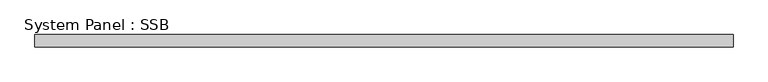
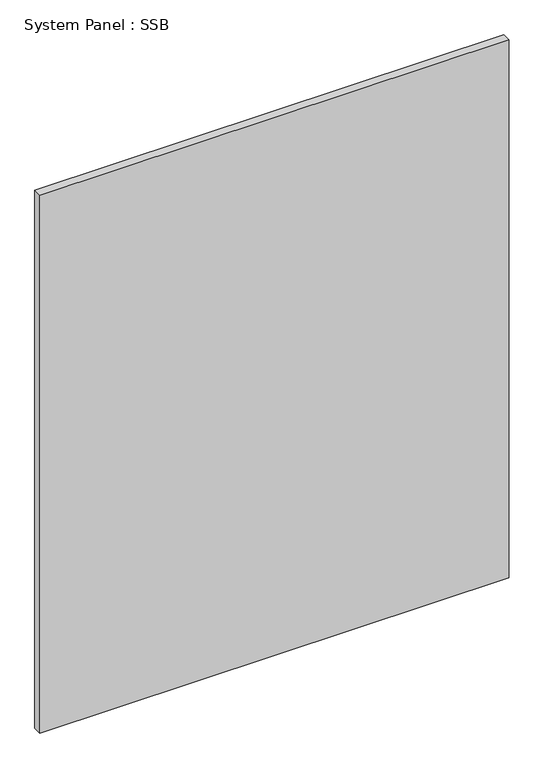
"""IFC4 building model written with IfcOpenShell, lengths in millimetres: plate geometry, System Panel : SSB."""

from ifc_helpers import new_model, si_unit, origin, origin_with_axes, place, context, project, spatial, polyline, outline, extrude, source, transform, mapped, element, save


def system_panel_ssb_356c2853(model_context):
    return source(origin(), model_context, "Body", "SweptSolid", [
        extrude(outline(polyline([(720.725, 18.25625), (-720.725, 18.25625), (-720.725, 43.65625), (720.725, 43.65625), (720.725, 18.25625)])), origin_with_axes(), (0.0, 0.0, 1.0), 1746.25),
    ])


if __name__ == "__main__":
    model = new_model("IFC4")
    model_context = context("Model", 3, world=origin())
    ifc_project = project(units=[si_unit("LENGTHUNIT", "METRE", prefix="MILLI")], contexts=[model_context])
    site = spatial("IfcSite", under=ifc_project)
    building = spatial("IfcBuilding", under=site)
    placement = place(None, origin())
    system_panel_ssb_shape = system_panel_ssb_356c2853(model_context)
    element("IfcPlate", 1, ObjectType="System Panel : SSB", at=placement, inside=building, context=model_context, shape_type="MappedRepresentation", body=[
        mapped(system_panel_ssb_shape, transform((0.0, 0.0, 0.0), x_axis=(1.0, 0.0, 0.0), y_axis=(0.0, 1.0, 0.0), z_axis=(0.0, 0.0, 1.0))),
    ])
    save(model, "model.ifc")
